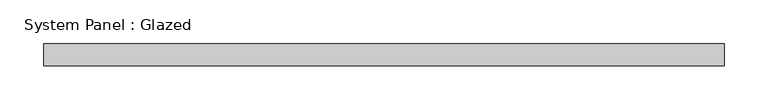
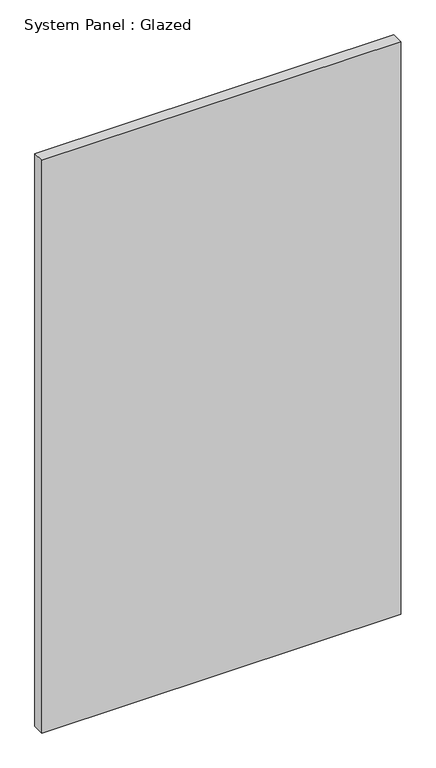
"""IFC4 building model written with IfcOpenShell, lengths in millimetres: plate geometry, System Panel : Glazed."""

from ifc_helpers import new_model, si_unit, origin, origin_with_axes, place, context, project, spatial, polyline, outline, extrude, source, transform, mapped, element, save


def system_panel_glazed_ea4e4d76(model_context):
    return source(origin(), model_context, "Body", "SweptSolid", [
        extrude(outline(polyline([(389.7313261, -12.7), (-389.7313261, -12.7), (-389.7313261, 12.7), (389.7313261, 12.7), (389.7313261, -12.7)])), origin_with_axes(), (0.0, 0.0, 1.0), 1314.45),
    ])


if __name__ == "__main__":
    model = new_model("IFC4")
    model_context = context("Model", 3, world=origin())
    ifc_project = project(units=[si_unit("LENGTHUNIT", "METRE", prefix="MILLI")], contexts=[model_context])
    site = spatial("IfcSite", under=ifc_project)
    building = spatial("IfcBuilding", under=site)
    placement = place(None, origin())
    system_panel_glazed_shape = system_panel_glazed_ea4e4d76(model_context)
    element("IfcPlate", 1, ObjectType="System Panel : Glazed", at=placement, inside=building, context=model_context, shape_type="MappedRepresentation", body=[
        mapped(system_panel_glazed_shape, transform((0.0, 0.0, 0.0), x_axis=(1.0, 0.0, 0.0), y_axis=(0.0, 1.0, 0.0), z_axis=(0.0, 0.0, 1.0))),
    ])
    save(model, "model.ifc")
